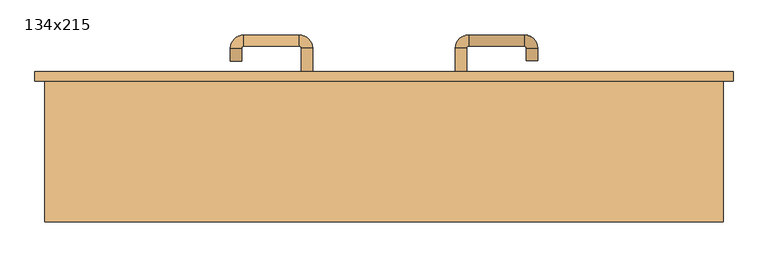
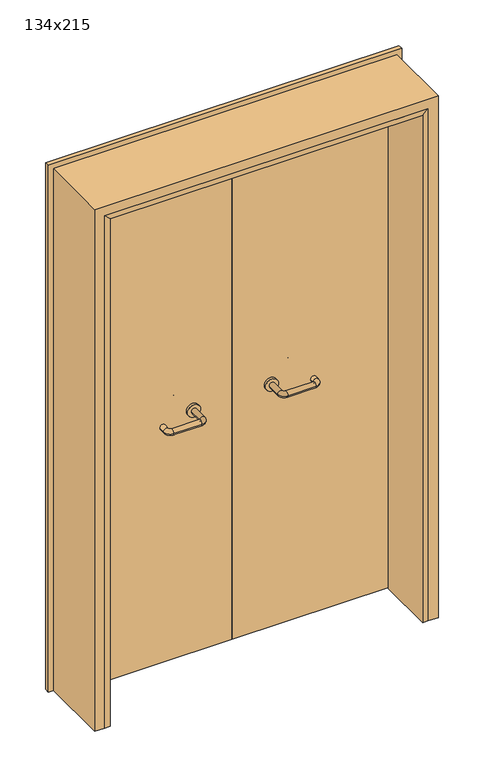
"""IFC4 building model written with IfcOpenShell, lengths in millimetres: door geometry, 134x215."""

from ifc_helpers import new_model, si_unit, point, frame, frame_2d, origin, place, context, project, spatial, polyline, circle_curve, ellipse_curve, trimmed, segment, composite_curve, outline, extrude, faceted_brep, source, transform, mapped, element, save
from ifc_brep_helpers import plane_surface, cylinder_surface, revolved_surface, advanced_brep


def door_134x215_3c6d9375(model_context):
    return source(origin(), model_context, "Body", "SolidModel", [
        faceted_brep([(-610.0, 93.0, 0.0), (-610.0, -139.0, 0.0), (-630.0, -139.0, 0.0), (-630.0, 93.0, 0.0), (-610.0, 93.0, 2090.0), (-610.0, -139.0, 2090.0), (-630.0, -139.0, 2110.0), (-630.0, 93.0, 2110.0), (610.0, 93.0, 0.0), (630.0, 93.0, 0.0), (630.0, -139.0, 0.0), (610.0, -139.0, 0.0), (610.0, 93.0, 2090.0), (630.0, 93.0, 2110.0), (630.0, -139.0, 2110.0), (610.0, -139.0, 2090.0)], [[[0, 1, 2, 3]], [[1, 0, 4, 5]], [[2, 1, 5, 6]], [[3, 2, 6, 7]], [[0, 3, 7, 4]], [[8, 9, 10, 11]], [[12, 13, 9, 8]], [[13, 14, 10, 9]], [[14, 15, 11, 10]], [[15, 12, 8, 11]], [[5, 4, 12, 15]], [[6, 5, 15, 14]], [[7, 6, 14, 13]], [[4, 7, 13, 12]]]),
        extrude(outline(polyline([(2169.0, 689.0), (2169.0, -689.0), (0.0, -689.0), (0.0, -645.0), (2125.0, -645.0), (2125.0, 645.0), (0.0, 645.0), (0.0, 689.0), (2169.0, 689.0)])), frame((0.0, 140.0, 0.0), z_axis=(0.0, 1.0, 0.0), x_axis=(0.0, 0.0, 1.0)), (0.0, 0.0, 1.0), 18.0),
        extrude(outline(polyline([(2150.0, -670.0), (0.0, -670.0), (0.0, -630.0), (2110.0, -630.0), (2110.0, 630.0), (0.0, 630.0), (0.0, 670.0), (2150.0, 670.0), (2150.0, -670.0)])), frame((0.0, -139.0, 0.0), z_axis=(0.0, 1.0, 0.0), x_axis=(0.0, 0.0, 1.0)), (0.0, 0.0, 1.0), 279.0),
        advanced_brep(
        [(140.99898, 86.0, 1003.0), (162.99898, 86.0, 1003.0), (140.99898, 30.6474631, 1003.0), (162.99898, 30.6474631, 1003.0), (166.99898, 26.6474631, 1003.0), (166.99898, 4.6474631, 1003.0), (276.99898, 4.6474631, 1003.0), (276.99898, 26.6474631, 1003.0), (280.99898, 30.6474631, 1003.0), (302.99898, 30.6474631, 1003.0), (302.99898, 48.0, 1003.0), (280.99898, 48.0, 1003.0)],
        [
            (0, 1, circle_curve(frame((151.99898, 86.0, 1003.0), z_axis=(0.0, 1.0, 0.0), x_axis=(1.0, 0.0, 0.0)), 11.0)),
            (1, 0, circle_curve(frame((151.99898, 86.0, 1003.0), z_axis=(0.0, 1.0, 0.0), x_axis=(1.0, 0.0, 0.0)), 11.0)),
            (0, 2),
            (2, 3, circle_curve(frame((151.99898, 30.6474631, 1003.0), z_axis=(0.0, 1.0, 0.0), x_axis=(1.0, 0.0, 0.0)), 11.0)),
            (3, 1),
            (3, 2, circle_curve(frame((151.99898, 30.6474631, 1003.0), z_axis=(0.0, 1.0, 0.0), x_axis=(1.0, 0.0, 0.0)), 11.0)),
            (4, 3, circle_curve(frame((166.99898, 30.6474631, 1003.0), z_axis=(0.0, 0.0, -1.0), x_axis=(-1.0, 0.0, 0.0)), 4.0)),
            (2, 5, circle_curve(frame((166.99898, 30.6474631, 1003.0), z_axis=(0.0, 0.0, 1.0), x_axis=(-1.0, 0.0, 0.0)), 26.0)),
            (5, 4, circle_curve(frame((166.99898, 15.6474631, 1003.0), z_axis=(-1.0, 0.0, 0.0), x_axis=(0.0, 1.0, 0.0)), 11.0)),
            (4, 5, circle_curve(frame((166.99898, 15.6474631, 1003.0), z_axis=(-1.0, 0.0, 0.0), x_axis=(0.0, 1.0, 0.0)), 11.0)),
            (5, 6),
            (6, 7, circle_curve(frame((276.99898, 15.6474631, 1003.0), z_axis=(-1.0, 0.0, 0.0), x_axis=(0.0, 1.0, 0.0)), 11.0)),
            (7, 4),
            (7, 6, circle_curve(frame((276.99898, 15.6474631, 1003.0), z_axis=(-1.0, 0.0, 0.0), x_axis=(0.0, 1.0, 0.0)), 11.0)),
            (8, 7, circle_curve(frame((276.99898, 30.6474631, 1003.0), z_axis=(0.0, 0.0, -1.0), x_axis=(0.0, -1.0, 0.0)), 4.0)),
            (6, 9, circle_curve(frame((276.99898, 30.6474631, 1003.0), z_axis=(0.0, 0.0, 1.0), x_axis=(0.0, -1.0, 0.0)), 26.0)),
            (9, 8, circle_curve(frame((291.99898, 30.6474631, 1003.0), z_axis=(0.0, -1.0, 0.0), x_axis=(-1.0, 0.0, 0.0)), 11.0)),
            (8, 9, circle_curve(frame((291.99898, 30.6474631, 1003.0), z_axis=(0.0, -1.0, 0.0), x_axis=(-1.0, 0.0, 0.0)), 11.0)),
            (10, 11, circle_curve(frame((291.99898, 48.0, 1003.0), z_axis=(0.0, 1.0, 0.0), x_axis=(-1.0, 0.0, 0.0)), 11.0)),
            (11, 10, circle_curve(frame((291.99898, 48.0, 1003.0), z_axis=(0.0, 1.0, 0.0), x_axis=(-1.0, 0.0, 0.0)), 11.0)),
            (9, 10),
            (11, 8),
        ],
        [
            plane_surface(frame((140.99898, 86.0, 1003.0), z_axis=(0.0, 1.0, 0.0), x_axis=(0.0, 0.0, -1.0))),
            cylinder_surface(frame((151.99898, 86.0, 1003.0), z_axis=(0.0, 1.0, 0.0), x_axis=(1.0, 0.0, 0.0)), 11.0),
            revolved_surface(trimmed(ellipse_curve(frame((151.99898, 30.6474631, 1003.0), z_axis=(0.0, 1.0, 0.0), x_axis=(1.0, 0.0, 0.0)), 11.0, 11.0), [point((140.99898, 30.6474631, 1003.0))], [point((162.99898, 30.6474631, 1003.0))], True, "CARTESIAN"), (166.99898, 30.6474631, 1003.0), (0.0, 0.0, 1.0)),
            revolved_surface(trimmed(ellipse_curve(frame((151.99898, 30.6474631, 1003.0), z_axis=(0.0, 1.0, 0.0), x_axis=(1.0, 0.0, 0.0)), 11.0, 11.0), [point((162.99898, 30.6474631, 1003.0))], [point((140.99898, 30.6474631, 1003.0))], True, "CARTESIAN"), (166.99898, 30.6474631, 1003.0), (0.0, 0.0, 1.0)),
            cylinder_surface(frame((166.99898, 15.6474631, 1003.0), z_axis=(-1.0, 0.0, 0.0), x_axis=(0.0, 1.0, 0.0)), 11.0),
            revolved_surface(trimmed(ellipse_curve(frame((276.99898, 15.6474631, 1003.0), z_axis=(-1.0, 0.0, 0.0), x_axis=(0.0, 1.0, 0.0)), 11.0, 11.0), [point((276.99898, 4.6474631, 1003.0))], [point((276.99898, 26.6474631, 1003.0))], True, "CARTESIAN"), (276.99898, 30.6474631, 1003.0), (0.0, 0.0, 1.0)),
            revolved_surface(trimmed(ellipse_curve(frame((276.99898, 15.6474631, 1003.0), z_axis=(-1.0, 0.0, 0.0), x_axis=(0.0, 1.0, 0.0)), 11.0, 11.0), [point((276.99898, 26.6474631, 1003.0))], [point((276.99898, 4.6474631, 1003.0))], True, "CARTESIAN"), (276.99898, 30.6474631, 1003.0), (0.0, 0.0, 1.0)),
            plane_surface(frame((280.99898, 48.0, 1003.0), z_axis=(0.0, 1.0, 0.0), x_axis=(0.0, 0.0, 1.0))),
            cylinder_surface(frame((291.99898, 30.6474631, 1003.0), z_axis=(0.0, -1.0, 0.0), x_axis=(-1.0, 0.0, 0.0)), 11.0),
        ],
        [
            (0, [[1, 2]]),
            (1, [[-1, 3, 4, 5]]),
            (1, [[-2, -5, 6, -3]]),
            (2, [[7, -4, 8, 9]]),
            (3, [[-8, -6, -7, 10]]),
            (4, [[-9, 11, 12, 13]]),
            (4, [[-10, -13, 14, -11]]),
            (5, [[15, -12, 16, 17]]),
            (6, [[-16, -14, -15, 18]]),
            (7, [[19, 20]]),
            (8, [[-17, 21, -20, 22]]),
            (8, [[-18, -22, -19, -21]]),
        ],
    ),
        extrude(outline(composite_curve([segment(trimmed(circle_curve(frame_2d((1003.0, 151.99898)), 25.0), [point((1003.0, 126.99898))], [point((1003.0, 176.99898))], False, "CARTESIAN"), True, "CONTINUOUS"), segment(trimmed(circle_curve(frame_2d((1003.0, 151.99898)), 25.0), [point((1003.0, 176.99898))], [point((1003.0, 126.99898))], False, "CARTESIAN"), True, "CONTINUOUS")], self_intersect=False)), frame((0.0, 86.0, 0.0), z_axis=(0.0, 1.0, 0.0), x_axis=(0.0, 0.0, 1.0)), (0.0, 0.0, 1.0), 10.0),
        advanced_brep(
        [(162.99898, 150.0, 1003.0), (140.99898, 150.0, 1003.0), (162.99898, 205.0, 1003.0), (140.99898, 205.0, 1003.0), (166.99898, 231.0, 1003.0), (166.99898, 209.0, 1003.0), (276.99898, 209.0, 1003.0), (276.99898, 231.0, 1003.0), (302.99898, 205.0, 1003.0), (280.99898, 205.0, 1003.0), (280.99898, 180.0, 1003.0), (302.99898, 180.0, 1003.0)],
        [
            (0, 1, circle_curve(frame((151.99898, 150.0, 1003.0), z_axis=(0.0, -1.0, 0.0), x_axis=(-1.0, 0.0, 0.0)), 11.0)),
            (1, 0, circle_curve(frame((151.99898, 150.0, 1003.0), z_axis=(0.0, -1.0, 0.0), x_axis=(-1.0, 0.0, 0.0)), 11.0)),
            (0, 2),
            (2, 3, circle_curve(frame((151.99898, 205.0, 1003.0), z_axis=(0.0, -1.0, 0.0), x_axis=(-1.0, 0.0, 0.0)), 11.0)),
            (3, 1),
            (3, 2, circle_curve(frame((151.99898, 205.0, 1003.0), z_axis=(0.0, -1.0, 0.0), x_axis=(-1.0, 0.0, 0.0)), 11.0)),
            (4, 3, circle_curve(frame((166.99898, 205.0, 1003.0), z_axis=(0.0, 0.0, 1.0), x_axis=(-1.0, 0.0, 0.0)), 26.0)),
            (2, 5, circle_curve(frame((166.99898, 205.0, 1003.0), z_axis=(0.0, 0.0, -1.0), x_axis=(-1.0, 0.0, 0.0)), 4.0)),
            (5, 4, circle_curve(frame((166.99898, 220.0, 1003.0), z_axis=(-1.0, 0.0, 0.0), x_axis=(0.0, 1.0, 0.0)), 11.0)),
            (4, 5, circle_curve(frame((166.99898, 220.0, 1003.0), z_axis=(-1.0, 0.0, 0.0), x_axis=(0.0, 1.0, 0.0)), 11.0)),
            (5, 6),
            (6, 7, circle_curve(frame((276.99898, 220.0, 1003.0), z_axis=(-1.0, 0.0, 0.0), x_axis=(0.0, 1.0, 0.0)), 11.0)),
            (7, 4),
            (7, 6, circle_curve(frame((276.99898, 220.0, 1003.0), z_axis=(-1.0, 0.0, 0.0), x_axis=(0.0, 1.0, 0.0)), 11.0)),
            (8, 7, circle_curve(frame((276.99898, 205.0, 1003.0), z_axis=(0.0, 0.0, 1.0), x_axis=(0.0, 1.0, 0.0)), 26.0)),
            (6, 9, circle_curve(frame((276.99898, 205.0, 1003.0), z_axis=(0.0, 0.0, -1.0), x_axis=(0.0, 1.0, 0.0)), 4.0)),
            (9, 8, circle_curve(frame((291.99898, 205.0, 1003.0), z_axis=(0.0, 1.0, 0.0), x_axis=(1.0, 0.0, 0.0)), 11.0)),
            (8, 9, circle_curve(frame((291.99898, 205.0, 1003.0), z_axis=(0.0, 1.0, 0.0), x_axis=(1.0, 0.0, 0.0)), 11.0)),
            (10, 11, circle_curve(frame((291.99898, 180.0, 1003.0), z_axis=(0.0, -1.0, 0.0), x_axis=(1.0, 0.0, 0.0)), 11.0)),
            (11, 10, circle_curve(frame((291.99898, 180.0, 1003.0), z_axis=(0.0, -1.0, 0.0), x_axis=(1.0, 0.0, 0.0)), 11.0)),
            (9, 10),
            (11, 8),
        ],
        [
            plane_surface(frame((140.99898, 150.0, 1003.0), z_axis=(0.0, -1.0, 0.0), x_axis=(0.0, 0.0, 1.0))),
            cylinder_surface(frame((151.99898, 150.0, 1003.0), z_axis=(0.0, -1.0, 0.0), x_axis=(-1.0, 0.0, 0.0)), 11.0),
            revolved_surface(trimmed(ellipse_curve(frame((151.99898, 205.0, 1003.0), z_axis=(0.0, -1.0, 0.0), x_axis=(-1.0, 0.0, 0.0)), 11.0, 11.0), [point((162.99898, 205.0, 1003.0))], [point((140.99898, 205.0, 1003.0))], True, "CARTESIAN"), (166.99898, 205.0, 1003.0), (0.0, 0.0, -1.0)),
            revolved_surface(trimmed(ellipse_curve(frame((151.99898, 205.0, 1003.0), z_axis=(0.0, -1.0, 0.0), x_axis=(-1.0, 0.0, 0.0)), 11.0, 11.0), [point((140.99898, 205.0, 1003.0))], [point((162.99898, 205.0, 1003.0))], True, "CARTESIAN"), (166.99898, 205.0, 1003.0), (0.0, 0.0, -1.0)),
            cylinder_surface(frame((166.99898, 220.0, 1003.0), z_axis=(-1.0, 0.0, 0.0), x_axis=(0.0, 1.0, 0.0)), 11.0),
            revolved_surface(trimmed(ellipse_curve(frame((276.99898, 220.0, 1003.0), z_axis=(-1.0, 0.0, 0.0), x_axis=(0.0, 1.0, 0.0)), 11.0, 11.0), [point((276.99898, 209.0, 1003.0))], [point((276.99898, 231.0, 1003.0))], True, "CARTESIAN"), (276.99898, 205.0, 1003.0), (0.0, 0.0, -1.0)),
            revolved_surface(trimmed(ellipse_curve(frame((276.99898, 220.0, 1003.0), z_axis=(-1.0, 0.0, 0.0), x_axis=(0.0, 1.0, 0.0)), 11.0, 11.0), [point((276.99898, 231.0, 1003.0))], [point((276.99898, 209.0, 1003.0))], True, "CARTESIAN"), (276.99898, 205.0, 1003.0), (0.0, 0.0, -1.0)),
            plane_surface(frame((280.99898, 180.0, 1003.0), z_axis=(0.0, -1.0, 0.0), x_axis=(0.0, 0.0, -1.0))),
            cylinder_surface(frame((291.99898, 205.0, 1003.0), z_axis=(0.0, 1.0, 0.0), x_axis=(1.0, 0.0, 0.0)), 11.0),
        ],
        [
            (0, [[1, 2]]),
            (1, [[-1, 3, 4, 5]]),
            (1, [[-2, -5, 6, -3]]),
            (2, [[7, -4, 8, 9]]),
            (3, [[-8, -6, -7, 10]]),
            (4, [[-9, 11, 12, 13]]),
            (4, [[-10, -13, 14, -11]]),
            (5, [[15, -12, 16, 17]]),
            (6, [[-16, -14, -15, 18]]),
            (7, [[19, 20]]),
            (8, [[-17, 21, -20, 22]]),
            (8, [[-18, -22, -19, -21]]),
        ],
    ),
        extrude(outline(composite_curve([segment(trimmed(circle_curve(frame_2d((1003.0, 151.99898)), 25.0), [point((1003.0, 176.99898))], [point((1003.0, 126.99898))], False, "CARTESIAN"), True, "CONTINUOUS"), segment(trimmed(circle_curve(frame_2d((1003.0, 151.99898)), 25.0), [point((1003.0, 126.99898))], [point((1003.0, 176.99898))], False, "CARTESIAN"), True, "CONTINUOUS")], self_intersect=False)), frame((0.0, 140.0, 0.0), z_axis=(0.0, 1.0, 0.0), x_axis=(0.0, 0.0, 1.0)), (0.0, 0.0, 1.0), 10.0),
        advanced_brep(
        [(-162.99898, 85.6886121, 1003.0), (-140.99898, 85.6886121, 1003.0), (-162.99898, 30.2779553, 1003.0), (-140.99898, 30.2779553, 1003.0), (-166.99898, 4.2779553, 1003.0), (-166.99898, 26.2779553, 1003.0), (-276.99898, 26.2779553, 1003.0), (-276.99898, 4.2779553, 1003.0), (-302.99898, 30.2779553, 1003.0), (-280.99898, 30.2779553, 1003.0), (-280.99898, 55.2779553, 1003.0), (-302.99898, 55.2779553, 1003.0)],
        [
            (0, 1, circle_curve(frame((-151.99898, 85.6886121, 1003.0), z_axis=(0.0, 1.0, 0.0), x_axis=(1.0, 0.0, 0.0)), 11.0)),
            (1, 0, circle_curve(frame((-151.99898, 85.6886121, 1003.0), z_axis=(0.0, 1.0, 0.0), x_axis=(1.0, 0.0, 0.0)), 11.0)),
            (0, 2),
            (2, 3, circle_curve(frame((-151.99898, 30.2779553, 1003.0), z_axis=(0.0, 1.0, 0.0), x_axis=(1.0, 0.0, 0.0)), 11.0)),
            (3, 1),
            (3, 2, circle_curve(frame((-151.99898, 30.2779553, 1003.0), z_axis=(0.0, 1.0, 0.0), x_axis=(1.0, 0.0, 0.0)), 11.0)),
            (4, 3, circle_curve(frame((-166.99898, 30.2779553, 1003.0), z_axis=(0.0, 0.0, 1.0), x_axis=(1.0, 0.0, 0.0)), 26.0)),
            (2, 5, circle_curve(frame((-166.99898, 30.2779553, 1003.0), z_axis=(0.0, 0.0, -1.0), x_axis=(1.0, 0.0, 0.0)), 4.0)),
            (5, 4, circle_curve(frame((-166.99898, 15.2779553, 1003.0), z_axis=(1.0, 0.0, 0.0), x_axis=(0.0, -1.0, 0.0)), 11.0)),
            (4, 5, circle_curve(frame((-166.99898, 15.2779553, 1003.0), z_axis=(1.0, 0.0, 0.0), x_axis=(0.0, -1.0, 0.0)), 11.0)),
            (5, 6),
            (6, 7, circle_curve(frame((-276.99898, 15.2779553, 1003.0), z_axis=(1.0, 0.0, 0.0), x_axis=(0.0, -1.0, 0.0)), 11.0)),
            (7, 4),
            (7, 6, circle_curve(frame((-276.99898, 15.2779553, 1003.0), z_axis=(1.0, 0.0, 0.0), x_axis=(0.0, -1.0, 0.0)), 11.0)),
            (8, 7, circle_curve(frame((-276.99898, 30.2779553, 1003.0), z_axis=(0.0, 0.0, 1.0), x_axis=(0.0, -1.0, 0.0)), 26.0)),
            (6, 9, circle_curve(frame((-276.99898, 30.2779553, 1003.0), z_axis=(0.0, 0.0, -1.0), x_axis=(0.0, -1.0, 0.0)), 4.0)),
            (9, 8, circle_curve(frame((-291.99898, 30.2779553, 1003.0), z_axis=(0.0, -1.0, 0.0), x_axis=(-1.0, 0.0, 0.0)), 11.0)),
            (8, 9, circle_curve(frame((-291.99898, 30.2779553, 1003.0), z_axis=(0.0, -1.0, 0.0), x_axis=(-1.0, 0.0, 0.0)), 11.0)),
            (10, 11, circle_curve(frame((-291.99898, 55.2779553, 1003.0), z_axis=(0.0, 1.0, 0.0), x_axis=(-1.0, 0.0, 0.0)), 11.0)),
            (11, 10, circle_curve(frame((-291.99898, 55.2779553, 1003.0), z_axis=(0.0, 1.0, 0.0), x_axis=(-1.0, 0.0, 0.0)), 11.0)),
            (9, 10),
            (11, 8),
        ],
        [
            plane_surface(frame((-162.99898, 85.6886121, 1003.0), z_axis=(0.0, 1.0, 0.0), x_axis=(0.0, 0.0, -1.0))),
            cylinder_surface(frame((-151.99898, 85.6886121, 1003.0), z_axis=(0.0, 1.0, 0.0), x_axis=(1.0, 0.0, 0.0)), 11.0),
            revolved_surface(trimmed(ellipse_curve(frame((-151.99898, 30.2779553, 1003.0), z_axis=(0.0, 1.0, 0.0), x_axis=(1.0, 0.0, 0.0)), 11.0, 11.0), [point((-162.99898, 30.2779553, 1003.0))], [point((-140.99898, 30.2779553, 1003.0))], True, "CARTESIAN"), (-166.99898, 30.2779553, 1003.0), (0.0, 0.0, -1.0)),
            revolved_surface(trimmed(ellipse_curve(frame((-151.99898, 30.2779553, 1003.0), z_axis=(0.0, 1.0, 0.0), x_axis=(1.0, 0.0, 0.0)), 11.0, 11.0), [point((-140.99898, 30.2779553, 1003.0))], [point((-162.99898, 30.2779553, 1003.0))], True, "CARTESIAN"), (-166.99898, 30.2779553, 1003.0), (0.0, 0.0, -1.0)),
            cylinder_surface(frame((-166.99898, 15.2779553, 1003.0), z_axis=(1.0, 0.0, 0.0), x_axis=(0.0, -1.0, 0.0)), 11.0),
            revolved_surface(trimmed(ellipse_curve(frame((-276.99898, 15.2779553, 1003.0), z_axis=(1.0, 0.0, 0.0), x_axis=(0.0, -1.0, 0.0)), 11.0, 11.0), [point((-276.99898, 26.2779553, 1003.0))], [point((-276.99898, 4.2779553, 1003.0))], True, "CARTESIAN"), (-276.99898, 30.2779553, 1003.0), (0.0, 0.0, -1.0)),
            revolved_surface(trimmed(ellipse_curve(frame((-276.99898, 15.2779553, 1003.0), z_axis=(1.0, 0.0, 0.0), x_axis=(0.0, -1.0, 0.0)), 11.0, 11.0), [point((-276.99898, 4.2779553, 1003.0))], [point((-276.99898, 26.2779553, 1003.0))], True, "CARTESIAN"), (-276.99898, 30.2779553, 1003.0), (0.0, 0.0, -1.0)),
            plane_surface(frame((-302.99898, 55.2779553, 1003.0), z_axis=(0.0, 1.0, 0.0), x_axis=(0.0, 0.0, 1.0))),
            cylinder_surface(frame((-291.99898, 30.2779553, 1003.0), z_axis=(0.0, -1.0, 0.0), x_axis=(-1.0, 0.0, 0.0)), 11.0),
        ],
        [
            (0, [[1, 2]]),
            (1, [[-1, 3, 4, 5]]),
            (1, [[-2, -5, 6, -3]]),
            (2, [[7, -4, 8, 9]]),
            (3, [[-8, -6, -7, 10]]),
            (4, [[-9, 11, 12, 13]]),
            (4, [[-10, -13, 14, -11]]),
            (5, [[15, -12, 16, 17]]),
            (6, [[-16, -14, -15, 18]]),
            (7, [[19, 20]]),
            (8, [[-17, 21, -20, 22]]),
            (8, [[-18, -22, -19, -21]]),
        ],
    ),
        extrude(outline(composite_curve([segment(trimmed(circle_curve(frame_2d((1003.0, -151.99898)), 25.0), [point((1003.0, -176.99898))], [point((1003.0, -126.99898))], False, "CARTESIAN"), True, "CONTINUOUS"), segment(trimmed(circle_curve(frame_2d((1003.0, -151.99898)), 25.0), [point((1003.0, -126.99898))], [point((1003.0, -176.99898))], False, "CARTESIAN"), True, "CONTINUOUS")], self_intersect=False)), frame((0.0, 85.6886121, 0.0), z_axis=(0.0, 1.0, 0.0), x_axis=(0.0, 0.0, 1.0)), (0.0, 0.0, 1.0), 10.3113879),
        advanced_brep(
        [(-140.99898, 149.5143417, 1003.0), (-162.99898, 149.5143417, 1003.0), (-140.99898, 204.6104656, 1003.0), (-162.99898, 204.6104656, 1003.0), (-166.99898, 208.6104656, 1003.0), (-166.99898, 230.6104656, 1003.0), (-276.99898, 230.6104656, 1003.0), (-276.99898, 208.6104656, 1003.0), (-280.99898, 204.6104656, 1003.0), (-302.99898, 204.6104656, 1003.0), (-302.99898, 179.6104656, 1003.0), (-280.99898, 179.6104656, 1003.0)],
        [
            (0, 1, circle_curve(frame((-151.99898, 149.5143417, 1003.0), z_axis=(0.0, -1.0, 0.0), x_axis=(-1.0, 0.0, 0.0)), 11.0)),
            (1, 0, circle_curve(frame((-151.99898, 149.5143417, 1003.0), z_axis=(0.0, -1.0, 0.0), x_axis=(-1.0, 0.0, 0.0)), 11.0)),
            (0, 2),
            (2, 3, circle_curve(frame((-151.99898, 204.6104656, 1003.0), z_axis=(0.0, -1.0, 0.0), x_axis=(-1.0, 0.0, 0.0)), 11.0)),
            (3, 1),
            (3, 2, circle_curve(frame((-151.99898, 204.6104656, 1003.0), z_axis=(0.0, -1.0, 0.0), x_axis=(-1.0, 0.0, 0.0)), 11.0)),
            (4, 3, circle_curve(frame((-166.99898, 204.6104656, 1003.0), z_axis=(0.0, 0.0, -1.0), x_axis=(1.0, 0.0, 0.0)), 4.0)),
            (2, 5, circle_curve(frame((-166.99898, 204.6104656, 1003.0), z_axis=(0.0, 0.0, 1.0), x_axis=(1.0, 0.0, 0.0)), 26.0)),
            (5, 4, circle_curve(frame((-166.99898, 219.6104656, 1003.0), z_axis=(1.0, 0.0, 0.0), x_axis=(0.0, -1.0, 0.0)), 11.0)),
            (4, 5, circle_curve(frame((-166.99898, 219.6104656, 1003.0), z_axis=(1.0, 0.0, 0.0), x_axis=(0.0, -1.0, 0.0)), 11.0)),
            (5, 6),
            (6, 7, circle_curve(frame((-276.99898, 219.6104656, 1003.0), z_axis=(1.0, 0.0, 0.0), x_axis=(0.0, -1.0, 0.0)), 11.0)),
            (7, 4),
            (7, 6, circle_curve(frame((-276.99898, 219.6104656, 1003.0), z_axis=(1.0, 0.0, 0.0), x_axis=(0.0, -1.0, 0.0)), 11.0)),
            (8, 7, circle_curve(frame((-276.99898, 204.6104656, 1003.0), z_axis=(0.0, 0.0, -1.0), x_axis=(0.0, 1.0, 0.0)), 4.0)),
            (6, 9, circle_curve(frame((-276.99898, 204.6104656, 1003.0), z_axis=(0.0, 0.0, 1.0), x_axis=(0.0, 1.0, 0.0)), 26.0)),
            (9, 8, circle_curve(frame((-291.99898, 204.6104656, 1003.0), z_axis=(0.0, 1.0, 0.0), x_axis=(1.0, 0.0, 0.0)), 11.0)),
            (8, 9, circle_curve(frame((-291.99898, 204.6104656, 1003.0), z_axis=(0.0, 1.0, 0.0), x_axis=(1.0, 0.0, 0.0)), 11.0)),
            (10, 11, circle_curve(frame((-291.99898, 179.6104656, 1003.0), z_axis=(0.0, -1.0, 0.0), x_axis=(1.0, 0.0, 0.0)), 11.0)),
            (11, 10, circle_curve(frame((-291.99898, 179.6104656, 1003.0), z_axis=(0.0, -1.0, 0.0), x_axis=(1.0, 0.0, 0.0)), 11.0)),
            (9, 10),
            (11, 8),
        ],
        [
            plane_surface(frame((-162.99898, 149.5143417, 1003.0), z_axis=(0.0, -1.0, 0.0), x_axis=(0.0, 0.0, 1.0))),
            cylinder_surface(frame((-151.99898, 149.5143417, 1003.0), z_axis=(0.0, -1.0, 0.0), x_axis=(-1.0, 0.0, 0.0)), 11.0),
            revolved_surface(trimmed(ellipse_curve(frame((-151.99898, 204.6104656, 1003.0), z_axis=(0.0, -1.0, 0.0), x_axis=(-1.0, 0.0, 0.0)), 11.0, 11.0), [point((-140.99898, 204.6104656, 1003.0))], [point((-162.99898, 204.6104656, 1003.0))], True, "CARTESIAN"), (-166.99898, 204.6104656, 1003.0), (0.0, 0.0, 1.0)),
            revolved_surface(trimmed(ellipse_curve(frame((-151.99898, 204.6104656, 1003.0), z_axis=(0.0, -1.0, 0.0), x_axis=(-1.0, 0.0, 0.0)), 11.0, 11.0), [point((-162.99898, 204.6104656, 1003.0))], [point((-140.99898, 204.6104656, 1003.0))], True, "CARTESIAN"), (-166.99898, 204.6104656, 1003.0), (0.0, 0.0, 1.0)),
            cylinder_surface(frame((-166.99898, 219.6104656, 1003.0), z_axis=(1.0, 0.0, 0.0), x_axis=(0.0, -1.0, 0.0)), 11.0),
            revolved_surface(trimmed(ellipse_curve(frame((-276.99898, 219.6104656, 1003.0), z_axis=(1.0, 0.0, 0.0), x_axis=(0.0, -1.0, 0.0)), 11.0, 11.0), [point((-276.99898, 230.6104656, 1003.0))], [point((-276.99898, 208.6104656, 1003.0))], True, "CARTESIAN"), (-276.99898, 204.6104656, 1003.0), (0.0, 0.0, 1.0)),
            revolved_surface(trimmed(ellipse_curve(frame((-276.99898, 219.6104656, 1003.0), z_axis=(1.0, 0.0, 0.0), x_axis=(0.0, -1.0, 0.0)), 11.0, 11.0), [point((-276.99898, 208.6104656, 1003.0))], [point((-276.99898, 230.6104656, 1003.0))], True, "CARTESIAN"), (-276.99898, 204.6104656, 1003.0), (0.0, 0.0, 1.0)),
            plane_surface(frame((-302.99898, 179.6104656, 1003.0), z_axis=(0.0, -1.0, 0.0), x_axis=(0.0, 0.0, -1.0))),
            cylinder_surface(frame((-291.99898, 204.6104656, 1003.0), z_axis=(0.0, 1.0, 0.0), x_axis=(1.0, 0.0, 0.0)), 11.0),
        ],
        [
            (0, [[1, 2]]),
            (1, [[-1, 3, 4, 5]]),
            (1, [[-2, -5, 6, -3]]),
            (2, [[7, -4, 8, 9]]),
            (3, [[-8, -6, -7, 10]]),
            (4, [[-9, 11, 12, 13]]),
            (4, [[-10, -13, 14, -11]]),
            (5, [[15, -12, 16, 17]]),
            (6, [[-16, -14, -15, 18]]),
            (7, [[19, 20]]),
            (8, [[-17, 21, -20, 22]]),
            (8, [[-18, -22, -19, -21]]),
        ],
    ),
        extrude(outline(composite_curve([segment(trimmed(circle_curve(frame_2d((1003.0, -151.99898)), 25.0), [point((1003.0, -126.99898))], [point((1003.0, -176.99898))], False, "CARTESIAN"), True, "CONTINUOUS"), segment(trimmed(circle_curve(frame_2d((1003.0, -151.99898)), 25.0), [point((1003.0, -176.99898))], [point((1003.0, -126.99898))], False, "CARTESIAN"), True, "CONTINUOUS")], self_intersect=False)), frame((0.0, 140.0, 0.0), z_axis=(0.0, 1.0, 0.0), x_axis=(0.0, 0.0, 1.0)), (0.0, 0.0, 1.0), 9.5143417),
        extrude(outline(polyline([(1.0739506, 96.0), (-627.0, 96.0), (-627.0, 140.0), (1.0739506, 140.0), (1.0739506, 96.0)])), frame((0.0, 0.0, 1.753223), z_axis=(0.0, 0.0, 1.0), x_axis=(1.0, 0.0, 0.0)), (0.0, 0.0, 1.0), 2108.246777),
        extrude(outline(polyline([(627.0, 96.0), (1.0739506, 96.0), (1.0739506, 140.0), (627.0, 140.0), (627.0, 96.0)])), frame((0.0, 0.0, 1.753223), z_axis=(0.0, 0.0, 1.0), x_axis=(1.0, 0.0, 0.0)), (0.0, 0.0, 1.0), 2108.246777),
    ])


if __name__ == "__main__":
    model = new_model("IFC4")
    model_context = context("Model", 3, world=origin())
    ifc_project = project(units=[si_unit("LENGTHUNIT", "METRE", prefix="MILLI")], contexts=[model_context])
    site = spatial("IfcSite", under=ifc_project)
    building = spatial("IfcBuilding", under=site)
    placement = place(None, origin())
    door_134x215_shape = door_134x215_3c6d9375(model_context)
    element("IfcDoor", 1, ObjectType="134x215", at=placement, inside=building, context=model_context, shape_type="MappedRepresentation", body=[
        mapped(door_134x215_shape, transform((0.0, 0.0, 0.0), x_axis=(1.0, 0.0, 0.0), y_axis=(0.0, 1.0, 0.0), z_axis=(0.0, 0.0, 1.0))),
    ])
    save(model, "model.ifc")
